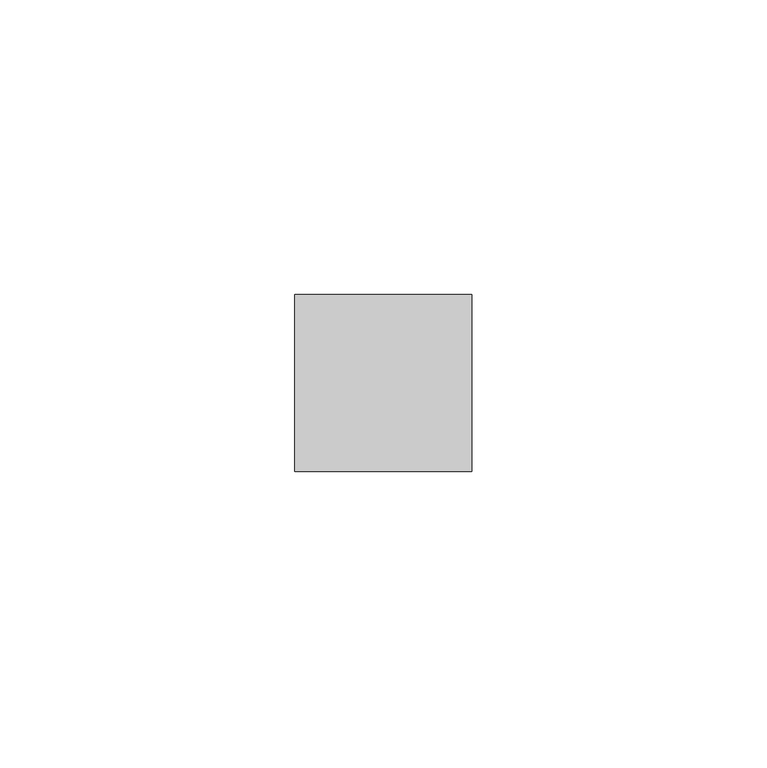
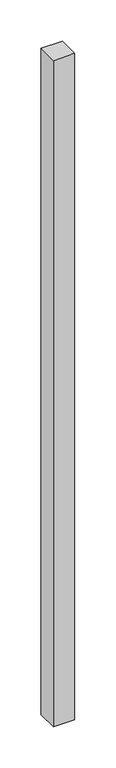
"""IFC4 building model written with IfcOpenShell, lengths in millimetres: member geometry."""

from ifc_helpers import new_model, si_unit, frame, origin, place, context, project, spatial, polyline, outline, extrude, source, transform, mapped, element, save


def member_efee047f(model_context):
    return source(origin(), model_context, "Body", "SweptSolid", [
        extrude(outline(polyline([(15.0, 15.0), (15.0, -15.0), (-15.0, -15.0), (-15.0, 15.0), (15.0, 15.0)])), frame((0.0, 0.0, -987.7734488), z_axis=(0.0, 0.0, 1.0), x_axis=(1.0, 0.0, 0.0)), (0.0, 0.0, 1.0), 987.7734488),
    ])


if __name__ == "__main__":
    model = new_model("IFC4")
    model_context = context("Model", 3, world=origin())
    ifc_project = project(units=[si_unit("LENGTHUNIT", "METRE", prefix="MILLI")], contexts=[model_context])
    site = spatial("IfcSite", under=ifc_project)
    building = spatial("IfcBuilding", under=site)
    placement = place(None, origin())
    member_shape = member_efee047f(model_context)
    element("IfcMember", 1, at=placement, inside=building, context=model_context, shape_type="MappedRepresentation", body=[
        mapped(member_shape, transform((0.0, 0.0, 0.0), x_axis=(1.0, 0.0, 0.0), y_axis=(0.0, 1.0, 0.0), z_axis=(0.0, 0.0, 1.0))),
    ])
    save(model, "model.ifc")
